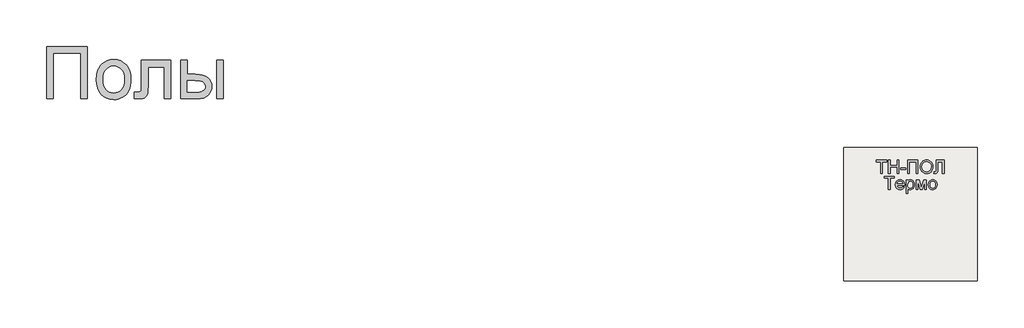
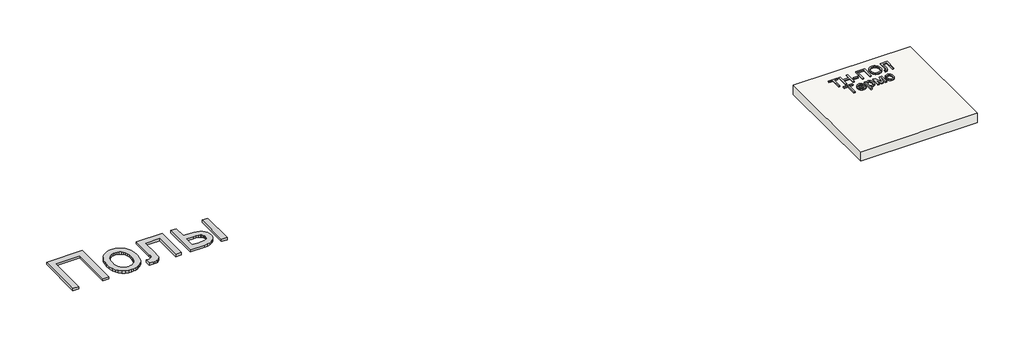
# One storey: 2 proxies, 1 slab.
"""IFC4 building model written with IfcOpenShell, lengths in millimetres."""

from ifc_helpers import new_model, si_unit, frame, origin, origin_with_axes, place, context, project, spatial, polyline, outline, extrude, element, save

model = new_model("IFC4")

# Units and contexts
model_context = context("Model", 3, world=origin())
ifc_project = project(units=[si_unit("LENGTHUNIT", "METRE", prefix="MILLI")], contexts=[model_context])

# Site, building, storey
site = spatial("IfcSite", under=ifc_project)
building = spatial("IfcBuilding", under=site)
storey = spatial("IfcBuildingStorey", under=building, Elevation=0.0)

# Proxies
placement = place(None, origin())
element("IfcBuildingElementProxy", 1, Name="Generic Models", at=placement, inside=storey, context=model_context, shape_type="SweptSolid", body=[
    extrude(outline(polyline([(-2221.4493901, -14787.7817103), (-1609.328178, -14787.7817103), (-1609.328178, -15571.2968619), (-1707.2675719, -15571.2968619), (-1707.2675719, -14885.7211043), (-2123.5099961, -14885.7211043), (-2123.5099961, -15571.2968619), (-2221.4493901, -15571.2968619), (-2221.4493901, -14787.7817103)])), origin_with_axes(), (0.0, 0.0, 1.0), 40.0),
    extrude(outline(polyline([(-1474.6615113, -15283.5998922), (-1469.3652282, -15209.0813079), (-1462.7448742, -15175.6866287), (-1453.4763787, -15144.8683581), (-1441.5597416, -15116.6264961), (-1426.994963, -15090.9610427), (-1409.7820428, -15067.871998), (-1389.920981, -15047.3593619), (-1352.5959336, -15019.491109), (-1311.3973068, -14999.5852141), (-1266.3251003, -14987.6416772), (-1217.3793143, -14983.6604982), (-1163.3464663, -14988.5084504), (-1114.4903465, -15003.0523069), (-1070.810955, -15027.2920678), (-1032.3082916, -15061.2277331), (-1000.8832798, -15103.7115754), (-978.4368427, -15153.5958675), (-964.9689805, -15210.8806095), (-960.4796931, -15275.5658013), (-962.4643049, -15327.9906355), (-968.4181401, -15374.5094566), (-978.3411988, -15415.1222643), (-992.233481, -15449.8290588), (-1009.921632, -15479.8074561), (-1031.2322973, -15506.2350721), (-1056.1654767, -15529.1119068), (-1084.7211704, -15548.4379603), (-1115.7875175, -15563.7947904), (-1148.2526571, -15574.7639547), (-1182.1165894, -15581.3454532), (-1217.3793143, -15583.5392861), (-1272.2012248, -15578.7092672), (-1321.5116533, -15564.2192103), (-1365.3105998, -15540.0691156), (-1403.5980643, -15506.2589831), (-1434.6883224, -15463.3626763), (-1456.8956496, -15411.9540588), (-1470.2200459, -15352.0331308), (-1474.6615113, -15283.5998922)]), holes=[polyline([(-1376.7221174, -15283.4086043), (-1373.8886657, -15330.9137534), (-1365.3883105, -15372.0466251), (-1351.221052, -15406.8072193), (-1331.3868901, -15435.1955361), (-1307.2607064, -15457.2474419), (-1280.2173825, -15472.9988031), (-1250.2569185, -15482.4496199), (-1217.3793143, -15485.5998922), (-1184.6690871, -15482.4316867), (-1154.828178, -15472.9270702), (-1127.8565871, -15457.0860427), (-1103.7543143, -15434.9086043), (-1083.9201524, -15406.2393335), (-1069.7528939, -15370.9228088), (-1061.2525388, -15328.9590304), (-1058.4190871, -15280.3479982), (-1061.270472, -15234.3492411), (-1069.8246268, -15194.2923638), (-1084.0815515, -15160.1773661), (-1104.0412461, -15132.0042482), (-1128.2331851, -15109.9523424), (-1155.1868427, -15094.2009812), (-1184.9022192, -15084.7501644), (-1217.3793143, -15081.5998922), (-1250.2569185, -15084.7382089), (-1280.2173825, -15094.1531592), (-1307.2607064, -15109.844743), (-1331.3868901, -15131.8129603), (-1351.221052, -15160.1175887), (-1365.3883105, -15194.8184054), (-1373.8886657, -15235.9154106), (-1376.7221174, -15283.4086043)])]), origin_with_axes(), (0.0, 0.0, 1.0), 40.0),
    extrude(outline(polyline([(-801.328178, -14995.9029225), (-360.6009052, -14995.9029225), (-360.6009052, -15570.7229982), (-458.5402992, -15570.7229982), (-458.5402992, -15093.8423164), (-703.388784, -15093.8423164), (-703.388784, -15368.3404225), (-705.038642, -15448.011824), (-709.9882158, -15494.9729982), (-722.350195, -15523.6422691), (-746.2372689, -15548.4379603), (-762.7119374, -15558.4387298), (-782.4863219, -15565.5821365), (-805.5604223, -15569.8681805), (-831.9342386, -15571.2968619), (-911.5099961, -15566.323377), (-911.5099961, -15473.3574679), (-867.7050719, -15473.3574679), (-841.1399677, -15471.8510759), (-823.421928, -15467.3318997), (-812.351142, -15459.5369187), (-805.7277992, -15448.2031119), (-802.4280833, -15420.2989925), (-801.328178, -15362.793074), (-801.328178, -14995.9029225)])), origin_with_axes(), (0.0, 0.0, 1.0), 40.0),
    extrude(outline(polyline([(-213.6918143, -14995.9029225), (-115.7524204, -14995.9029225), (-115.7524204, -15204.0241346), (5.3328069, -15204.0241346), (61.0513793, -15207.0907184), (109.9911876, -15216.2904698), (152.1522316, -15231.6233888), (187.5345114, -15253.0894755), (215.5282969, -15279.9474892), (235.523858, -15311.4561895), (247.5211947, -15347.6155763), (251.5203069, -15388.4256497), (248.1667913, -15424.8361019), (238.1062444, -15458.5087463), (221.3386663, -15489.443583), (197.8640569, -15517.6406119), (167.0248642, -15541.1152212), (128.1635361, -15557.8827994), (81.2800725, -15567.9433462), (26.3744736, -15571.2968619), (-213.6918143, -15571.2968619), (-213.6918143, -14995.9029225)]), holes=[polyline([(-115.7524204, -15473.3574679), (-15.1349961, -15473.3574679), (62.8626364, -15468.2166062), (92.0699044, -15461.790529), (114.7494736, -15452.794021), (131.7382283, -15441.0716606), (143.8730531, -15426.4680266), (151.153948, -15408.983119), (153.5809129, -15388.6169376), (151.7816113, -15372.1542245), (146.3837065, -15356.6240399), (137.3871985, -15342.0263836), (124.7920872, -15328.3612558), (106.0518528, -15316.8122501), (78.6199754, -15308.5629603), (42.4964551, -15303.6133865), (-2.3187083, -15301.9635285), (-115.7524204, -15301.9635285), (-115.7524204, -15473.3574679)])]), origin_with_axes(), (0.0, 0.0, 1.0), 40.0),
    extrude(outline(polyline([(324.9748523, -14995.9029225), (422.9142463, -14995.9029225), (422.9142463, -15571.2968619), (324.9748523, -15571.2968619), (324.9748523, -14995.9029225)])), origin_with_axes(), (0.0, 0.0, 1.0), 40.0),
])
element("IfcBuildingElementProxy", 2, Name="Generic Models", at=placement, inside=storey, context=model_context, shape_type="SweptSolid", body=[
    extrude(outline(polyline([(10256.8186644, -16688.792124), (10256.8186644, -16516.4844317), (10192.2032798, -16516.4844317), (10192.2032798, -16491.8690471), (10346.0494336, -16491.8690471), (10346.0494336, -16516.4844317), (10281.434049, -16516.4844317), (10281.434049, -16688.792124), (10256.8186644, -16688.792124)])), origin_with_axes(), (0.0, 0.0, 1.0), 20.0),
    extrude(outline(polyline([(10373.7417413, -16688.792124), (10373.7417413, -16491.8690471), (10398.3571259, -16491.8690471), (10398.3571259, -16571.8690471), (10502.9725106, -16571.8690471), (10502.9725106, -16491.8690471), (10527.5878952, -16491.8690471), (10527.5878952, -16688.792124), (10502.9725106, -16688.792124), (10502.9725106, -16596.4844317), (10398.3571259, -16596.4844317), (10398.3571259, -16688.792124), (10373.7417413, -16688.792124)])), origin_with_axes(), (0.0, 0.0, 1.0), 20.0),
    extrude(outline(polyline([(10555.2802029, -16630.3305856), (10555.2802029, -16605.7152009), (10632.2032798, -16605.7152009), (10632.2032798, -16630.3305856), (10555.2802029, -16630.3305856)])), origin_with_axes(), (0.0, 0.0, 1.0), 20.0),
    extrude(outline(polyline([(10662.9725106, -16491.8690471), (10816.8186644, -16491.8690471), (10816.8186644, -16688.792124), (10792.2032798, -16688.792124), (10792.2032798, -16516.4844317), (10687.5878952, -16516.4844317), (10687.5878952, -16688.792124), (10662.9725106, -16688.792124), (10662.9725106, -16491.8690471)])), origin_with_axes(), (0.0, 0.0, 1.0), 20.0),
    extrude(outline(polyline([(10850.6648182, -16592.9267394), (10852.3054432, -16569.8287827), (10857.2273182, -16549.3810663), (10865.4304432, -16531.5835904), (10876.9148182, -16516.4363548), (10890.9923423, -16504.3420038), (10906.9749144, -16495.7031817), (10924.8625346, -16490.5198884), (10944.6552029, -16488.792124), (10970.4845298, -16492.0373163), (10993.6455875, -16501.7728932), (11012.8763567, -16517.3137586), (11026.9148182, -16537.9748163), (11035.496549, -16562.7584702), (11038.3571259, -16590.667124), (11035.3463086, -16618.948374), (11026.3138567, -16644.0805856), (11011.7585682, -16664.7777009), (10992.1792413, -16679.7536625), (10969.2165009, -16688.8402009), (10944.5109721, -16691.8690471), (10918.2850106, -16688.5216913), (10894.9917413, -16678.479624), (10875.809049, -16662.6502971), (10861.9148182, -16641.9411625), (10853.4773182, -16618.1130375), (10850.6648182, -16592.9267394)]), holes=[polyline([(10875.2802029, -16593.167124), (10880.2020779, -16623.9724125), (10894.9677029, -16647.4459702), (10917.1612125, -16662.3017394), (10944.3667413, -16667.2536625), (10971.9689048, -16662.2536625), (10994.1984721, -16647.2536625), (11002.7486524, -16636.2049846), (11008.855924, -16623.0589509), (11013.7417413, -16590.4748163), (11011.6503952, -16568.6839509), (11005.3763567, -16549.8498163), (10995.0818856, -16534.4471721), (10980.9292413, -16522.9507779), (10963.855924, -16515.7933259), (10944.7994336, -16513.4075086), (10918.3210682, -16518.0048644), (10895.809049, -16531.7969317), (10886.8276788, -16542.5286024), (10880.4124144, -16556.3341913), (10875.2802029, -16593.167124)])]), origin_with_axes(), (0.0, 0.0, 1.0), 20.0),
    extrude(outline(polyline([(11087.5878952, -16491.8690471), (11207.5878952, -16491.8690471), (11207.5878952, -16688.792124), (11182.9725106, -16688.792124), (11182.9725106, -16516.4844317), (11112.2032798, -16516.4844317), (11112.2032798, -16616.9652009), (11109.3427029, -16661.7969317), (11104.9136163, -16674.4652009), (11097.3475106, -16683.9603932), (11086.9869336, -16689.8918836), (11074.1744336, -16691.8690471), (11053.7417413, -16688.792124), (11056.8186644, -16664.1767394), (11068.5975106, -16667.2536625), (11076.9208279, -16665.6010182), (11082.8523182, -16660.6430856), (11086.4040009, -16649.5553452), (11087.5878952, -16629.5132779), (11087.5878952, -16491.8690471)])), origin_with_axes(), (0.0, 0.0, 1.0), 20.0),
    extrude(outline(polyline([(10375.2802029, -16931.8690471), (10375.2802029, -16759.5613548), (10310.6648182, -16759.5613548), (10310.6648182, -16734.9459702), (10464.5109721, -16734.9459702), (10464.5109721, -16759.5613548), (10399.8955875, -16759.5613548), (10399.8955875, -16931.8690471), (10375.2802029, -16931.8690471)])), origin_with_axes(), (0.0, 0.0, 1.0), 20.0),
    extrude(outline(polyline([(10590.3763567, -16888.792124), (10614.5109721, -16891.8690471), (10605.8150586, -16910.0541432), (10591.9388567, -16923.6478932), (10573.1948663, -16932.1214509), (10549.8955875, -16934.9459702), (10521.0133759, -16930.0721721), (10498.7898182, -16915.4507779), (10484.6191452, -16892.0313067), (10479.8955875, -16860.7632779), (10484.6672221, -16828.4435663), (10498.9821259, -16804.2728932), (10520.9052029, -16789.2007779), (10548.5013567, -16784.1767394), (10575.2381356, -16789.1887586), (10596.6023182, -16804.2248163), (10610.6107317, -16828.3474125), (10615.2802029, -16860.6190471), (10615.1359721, -16867.2536625), (10504.5109721, -16867.2536625), (10508.7717894, -16885.6791432), (10518.6696259, -16899.2248163), (10532.9544817, -16907.5541432), (10550.3763567, -16910.3305856), (10574.5109721, -16905.1863548), (10583.4773182, -16898.5156817), (10590.3763567, -16888.792124)]), holes=[polyline([(10504.5109721, -16842.6382779), (10590.6648182, -16842.6382779), (10587.3354913, -16829.6334702), (10580.809049, -16820.3305856), (10566.4580875, -16811.6767394), (10548.4052029, -16808.792124), (10531.8126548, -16811.0938067), (10518.0927029, -16817.9988548), (10508.5554432, -16828.7620759), (10504.5109721, -16842.6382779)])]), origin_with_axes(), (0.0, 0.0, 1.0), 20.0),
    extrude(outline(polyline([(10639.8955875, -16987.2536625), (10639.8955875, -16787.2536625), (10664.5109721, -16787.2536625), (10664.5109721, -16811.3882779), (10681.5302029, -16790.979624), (10692.0109721, -16785.8774606), (10704.5109721, -16784.1767394), (10721.1576067, -16786.5565471), (10735.7128952, -16793.6959702), (10747.5638567, -16805.1623163), (10756.0975106, -16820.5228932), (10761.2537606, -16838.6599125), (10762.9725106, -16858.4555856), (10761.0314048, -16879.5072682), (10755.2080875, -16898.3353932), (10745.6888567, -16913.9844317), (10732.6600106, -16925.4988548), (10717.4857317, -16932.5841913), (10701.5302029, -16934.9459702), (10690.2140971, -16933.3654413), (10680.1119336, -16928.6238548), (10664.5109721, -16912.6382779), (10664.5109721, -16987.2536625), (10639.8955875, -16987.2536625)]), holes=[polyline([(10664.5109721, -16860.7152009), (10667.1732317, -16882.7825086), (10675.1600106, -16898.2152009), (10686.9448663, -16907.3017394), (10701.0013567, -16910.3305856), (10715.2862125, -16907.1935663), (10727.371549, -16897.7825086), (10735.6107317, -16881.7849125), (10738.3571259, -16858.8882779), (10735.6768375, -16836.9411625), (10727.6359721, -16821.292124), (10715.8691452, -16811.917124), (10702.0109721, -16808.792124), (10688.0987125, -16812.1154413), (10675.8811644, -16822.0853932), (10667.3535202, -16838.3894798), (10664.5109721, -16860.7152009)])]), origin_with_axes(), (0.0, 0.0, 1.0), 20.0),
    extrude(outline(polyline([(10790.6648182, -16787.2536625), (10833.0205875, -16787.2536625), (10865.6648182, -16903.0228932), (10900.8571259, -16787.2536625), (10941.434049, -16787.2536625), (10941.434049, -16931.8690471), (10916.8186644, -16931.8690471), (10916.8186644, -16815.4267394), (10881.434049, -16931.8690471), (10849.1263567, -16931.8690471), (10815.2802029, -16809.8498163), (10815.2802029, -16931.8690471), (10790.6648182, -16931.8690471), (10790.6648182, -16787.2536625)])), origin_with_axes(), (0.0, 0.0, 1.0), 20.0),
    extrude(outline(polyline([(10972.2032798, -16859.5613548), (10977.527799, -16824.6935663), (10984.1834481, -16811.1448884), (10993.5013567, -16800.1863548), (11013.2369336, -16788.1791432), (11036.8667413, -16784.1767394), (11062.7261163, -16789.0505375), (11083.3811644, -16803.6719317), (11096.9208279, -16826.8870759), (11101.434049, -16857.542124), (11099.4388567, -16882.4099125), (11093.4532798, -16901.3402009), (11083.6515971, -16915.5168836), (11070.2080875, -16926.1238548), (11054.2405394, -16932.7404413), (11036.8667413, -16934.9459702), (11010.6948663, -16930.0902009), (10990.0638567, -16915.5228932), (10976.668424, -16891.8209702), (10972.2032798, -16859.5613548)]), holes=[polyline([(10996.8186644, -16859.5132779), (10999.6672221, -16881.7909221), (11008.2128952, -16897.6623163), (11021.0734721, -16907.1635182), (11036.8667413, -16910.3305856), (11052.5878952, -16907.1454894), (11065.4244336, -16897.5902009), (11073.9701067, -16881.5084702), (11076.8186644, -16858.7440471), (11073.9520779, -16837.1154413), (11065.3523182, -16821.4603932), (11052.4977509, -16811.9591913), (11036.8667413, -16808.792124), (11021.0734721, -16811.9471721), (11008.2128952, -16821.4123163), (10999.6672221, -16837.2476529), (10996.8186644, -16859.5132779)])]), origin_with_axes(), (0.0, 0.0, 1.0), 20.0),
])

# Slab
element("IfcSlab", 3, at=placement, inside=storey, context=model_context, shape_type="SweptSolid", body=[
    extrude(outline(polyline([(11706.3955952, -16302.6148653), (11706.3955952, -18302.6148653), (9706.3955952, -18302.6148653), (9706.3955952, -16302.6148653), (11706.3955952, -16302.6148653)])), frame((0.0, 0.0, -170.0), z_axis=(0.0, 0.0, 1.0), x_axis=(1.0, 0.0, 0.0)), (0.0, 0.0, 1.0), 170.0),
])

save(model, "model.ifc")
